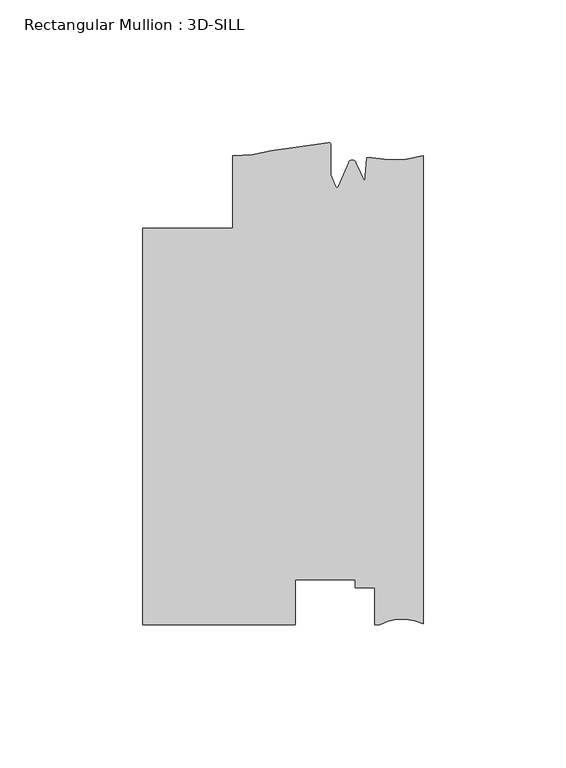
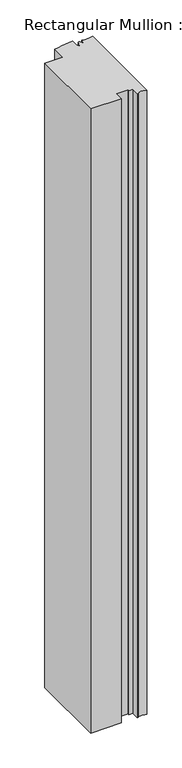
"""IFC4 building model written with IfcOpenShell, lengths in millimetres: member geometry, Rectangular Mullion : 3D-SILL."""

from ifc_helpers import new_model, si_unit, frame, origin, place, context, project, spatial, polyline, circle_curve, source, transform, mapped, element, save
from ifc_brep_helpers import plane_surface, cylinder_surface, revolved_surface, advanced_brep


def rectangular_mullion_3d_sill_04bc0f05(model_context):
    return source(origin(), model_context, "Body", "AdvancedBrep", [
        advanced_brep(
        [(-98.425, -27.8368125, 0.0), (-98.425, -167.0288125, 0.0), (-44.8099503, -167.0288125, 0.0), (-44.8099503, -151.130408, 0.0), (-23.8633011, -151.130408, 0.0), (-23.8633011, -153.9850133, 0.0), (-17.0053014, -153.9850133, 0.0), (-17.0053014, -167.0288125, 0.0), (-15.1680895, -167.0288125, 0.0), (0.0, -166.6478125, 0.0), (0.0, -2.4368125, 0.0), (-18.0334985, -3.1935504, 0.0), (-19.8211861, -3.0828843, 0.0), (-20.3867288, -11.4822036, 0.0), (-23.5593147, -4.7881561, 0.0), (-26.1362138, -4.7881561, 0.0), (-29.8075652, -13.2047236, 0.0), (-30.5559634, -13.2047236, 0.0), (-32.384137, -9.0136383, 0.0), (-32.384137, 1.4766469, 0.0), (-33.3130099, 2.2201504, 0.0), (-53.2924277, -0.6208493, 0.0), (-66.6751132, -2.4368125, 0.0), (-66.6751132, -27.8361661, 0.0), (-98.425, -27.8368125, -1155.7), (-66.6751132, -27.8361661, -1155.7), (-66.6751132, -2.4368125, -1155.7), (-53.2924277, -0.6208493, -1155.7), (-33.3138356, 2.2199646, -1155.7), (-32.384137, 1.4766469, -1155.7), (-32.384137, -9.0136383, -1155.7), (-30.5559634, -13.2047236, -1155.7), (-29.8075652, -13.2047236, -1155.7), (-26.1362138, -4.7881561, -1155.7), (-23.5593147, -4.7881561, -1155.7), (-20.3867288, -11.4822036, -1155.7), (-19.8211861, -3.0828843, -1155.7), (-18.0334985, -3.1935504, -1155.7), (0.0, -2.4368125, -1155.7), (0.0, -166.6478125, -1155.7), (-15.1680895, -167.0288125, -1155.7), (-17.0053014, -167.0288125, -1155.7), (-17.0053014, -153.9850133, -1155.7), (-23.8633011, -153.9850133, -1155.7), (-23.8633011, -151.130408, -1155.7), (-44.8099503, -151.130408, -1155.7), (-44.8099503, -167.0288125, -1155.7), (-98.425, -167.0288125, -1155.7)],
        [
            (0, 1),
            (1, 2),
            (2, 3),
            (3, 4),
            (4, 5),
            (5, 6),
            (6, 7),
            (7, 8),
            (8, 9, circle_curve(frame((-7.2326507, -180.8277516, 0.0), z_axis=(0.0, 0.0, -1.0), x_axis=(0.0, -1.0, 0.0)), 15.9179744)),
            (9, 10),
            (10, 11, circle_curve(frame((-10.6264113, 35.54399, 0.0), z_axis=(0.0, 0.0, -1.0), x_axis=(0.0, -1.0, 0.0)), 39.4393455)),
            (11, 12),
            (12, 13),
            (13, 14),
            (14, 15, circle_curve(frame((-24.8477643, -5.3280697, 0.0), z_axis=(0.0, 0.0, 1.0), x_axis=(-0.9222974554240703, 0.38648079346622805, 0.0)), 1.397)),
            (15, 16),
            (16, 17, circle_curve(frame((-30.1817643, -13.2763897, 0.0), z_axis=(0.0, 0.0, -1.0), x_axis=(-0.9821498950386456, 0.1880999300254456, 0.0)), 0.381)),
            (17, 18),
            (18, 19),
            (19, 20, circle_curve(frame((-33.146137, 1.4766469, 0.0), z_axis=(0.0, 0.0, 1.0), x_axis=(1.0, 0.0, 0.0)), 0.762)),
            (20, 21, circle_curve(frame((-61.125498, 126.1389145, 0.0), z_axis=(0.0, 0.0, -1.0), x_axis=(0.2189867881896227, -0.9757278240361876, 0.0)), 127.0015539)),
            (21, 22, circle_curve(frame((-65.8289407, 41.546973, 0.0), z_axis=(0.0, 0.0, -1.0), x_axis=(0.0, -1.0, 0.0)), 43.9919242)),
            (22, 23),
            (23, 0),
            (24, 25),
            (25, 26),
            (26, 27, circle_curve(frame((-65.8289407, 41.546973, -1155.7), z_axis=(0.0, 0.0, 1.0), x_axis=(0.0, -1.0, 0.0)), 43.9919242)),
            (27, 28, circle_curve(frame((-61.125498, 126.1389145, -1155.7), z_axis=(0.0, 0.0, 1.0), x_axis=(0.2189867881896227, -0.9757278240361876, 0.0)), 127.0015539)),
            (28, 29, circle_curve(frame((-33.146137, 1.4766469, -1155.7), z_axis=(0.0, 0.0, -1.0), x_axis=(1.0, 0.0, 0.0)), 0.762)),
            (29, 30),
            (30, 31),
            (31, 32, circle_curve(frame((-30.1817643, -13.2763897, -1155.7), z_axis=(0.0, 0.0, 1.0), x_axis=(-0.9821498950386456, 0.1880999300254456, 0.0)), 0.381)),
            (32, 33),
            (33, 34, circle_curve(frame((-24.8477643, -5.3280697, -1155.7), z_axis=(0.0, 0.0, -1.0), x_axis=(-0.9222974554240703, 0.38648079346622805, 0.0)), 1.397)),
            (34, 35),
            (35, 36),
            (36, 37),
            (37, 38, circle_curve(frame((-10.6264113, 35.54399, -1155.7), z_axis=(0.0, 0.0, 1.0), x_axis=(0.0, -1.0, 0.0)), 39.4393455)),
            (38, 39),
            (39, 40, circle_curve(frame((-7.2326507, -180.8277516, -1155.7), z_axis=(0.0, 0.0, 1.0), x_axis=(0.0, -1.0, 0.0)), 15.9179744)),
            (40, 41),
            (41, 42),
            (42, 43),
            (43, 44),
            (44, 45),
            (45, 46),
            (46, 47),
            (47, 24),
            (0, 24),
            (47, 1),
            (46, 2),
            (45, 3),
            (44, 4),
            (43, 5),
            (42, 6),
            (41, 7),
            (40, 8),
            (39, 9),
            (38, 10),
            (37, 11),
            (36, 12),
            (35, 13),
            (34, 14),
            (33, 15),
            (32, 16),
            (31, 17),
            (30, 18),
            (29, 19),
            (28, 20),
            (27, 21),
            (26, 22),
            (25, 23),
        ],
        [
            plane_surface(frame((0.0, -193.8713616, 0.0), z_axis=(0.0, 0.0, 1.0), x_axis=(-1.0, 0.0, 0.0))),
            plane_surface(frame((0.0, -193.8713616, -1155.7), z_axis=(0.0, 0.0, -1.0), x_axis=(-1.0, 0.0, 0.0))),
            plane_surface(frame((-98.425, -27.8368125, 0.0), z_axis=(-1.0, 0.0, 0.0), x_axis=(0.0, 0.0, -1.0))),
            plane_surface(frame((-98.425, -167.0288125, 0.0), z_axis=(0.0, -1.0, 0.0), x_axis=(0.0, 0.0, -1.0))),
            plane_surface(frame((-44.8099503, -167.0288125, 0.0), z_axis=(1.0, 0.0, 0.0), x_axis=(0.0, 0.0, -1.0))),
            plane_surface(frame((-44.8099503, -151.130408, 0.0), z_axis=(0.0, -1.0, 0.0), x_axis=(0.0, 0.0, -1.0))),
            plane_surface(frame((-23.8633011, -151.130408, 0.0), z_axis=(-1.0, 0.0, 0.0), x_axis=(0.0, 0.0, -1.0))),
            plane_surface(frame((-23.8633011, -153.9850133, 0.0), z_axis=(0.0, -1.0, 0.0), x_axis=(0.0, 0.0, -1.0))),
            plane_surface(frame((-17.0053014, -153.9850133, 0.0), z_axis=(-1.0, 0.0, 0.0), x_axis=(0.0, 0.0, -1.0))),
            plane_surface(frame((-17.0053014, -167.0288125, 0.0), z_axis=(0.0, -1.0, 0.0), x_axis=(0.0, 0.0, -1.0))),
            revolved_surface(polyline([(-7.2326507, -196.745726, -1155.7), (-7.2326507, -196.745726, 0.0)]), (-7.2326507, -180.8277516, 0.0), (0.0, 0.0, -1.0)),
            plane_surface(frame((0.0, -166.6478125, 0.0), z_axis=(1.0, 0.0, 0.0), x_axis=(0.0, 0.0, -1.0))),
            revolved_surface(polyline([(-10.6264113, -3.895355500000001, -1155.7), (-10.6264113, -3.895355500000001, 0.0)]), (-10.6264113, 35.54399, 0.0), (0.0, 0.0, -1.0)),
            plane_surface(frame((-18.0334985, -3.1935504, 0.0), z_axis=(0.0617863276188998, 0.9980893996628609, 0.0), x_axis=(0.0, 0.0, -1.0))),
            plane_surface(frame((-19.8211861, -3.0828843, 0.0), z_axis=(-0.997740881645106, 0.06717985631159565, 0.0), x_axis=(0.0, 0.0, -1.0))),
            plane_surface(frame((-20.3867288, -11.4822036, 0.0), z_axis=(0.9036479198265283, 0.4282761223710569, 0.0), x_axis=(0.0, 0.0, -1.0))),
            cylinder_surface(frame((-24.8477643, -5.3280697, 0.0), z_axis=(0.0, 0.0, 1.0), x_axis=(-0.9222974554240703, 0.38648079346622805, 0.0)), 1.397),
            plane_surface(frame((-26.1362138, -4.7881561, 0.0), z_axis=(-0.9165925711538568, 0.3998225337641213, 0.0), x_axis=(0.0, 0.0, -1.0))),
            revolved_surface(polyline([(-30.555963410009724, -13.204723626660304, -1155.7), (-30.555963410009724, -13.204723626660304, 0.0)]), (-30.1817643, -13.2763897, 0.0), (0.0, 0.0, -1.0)),
            plane_surface(frame((-30.5559634, -13.2047236, 0.0), z_axis=(0.9165925711538717, 0.39982253376408716, 0.0), x_axis=(0.0, 0.0, -1.0))),
            plane_surface(frame((-32.384137, -9.0136383, 0.0), z_axis=(1.0, 0.0, 0.0), x_axis=(0.0, 0.0, -1.0))),
            cylinder_surface(frame((-33.146137, 1.4766469, 0.0), z_axis=(0.0, 0.0, 1.0), x_axis=(1.0, 0.0, 0.0)), 0.762),
            revolved_surface(polyline([(-33.313835616347745, 2.2199646639383985, -1155.7000000000005), (-33.313835616347745, 2.2199646639383985, 0.0)]), (-61.125498, 126.1389145, 0.0), (0.0, 0.0, -1.0000000000000002)),
            revolved_surface(polyline([(-65.8289407, -2.4449511999999984, -1155.7), (-65.8289407, -2.4449511999999984, 0.0)]), (-65.8289407, 41.546973, 0.0), (0.0, 0.0, -1.0)),
            plane_surface(frame((-66.6751132, -2.4368125, 0.0), z_axis=(-1.0, 0.0, 0.0), x_axis=(0.0, 0.0, -1.0))),
            plane_surface(frame((-66.6751132, -27.8361661, 0.0), z_axis=(-2.0360673595886705e-05, 0.9999999997927215, 0.0), x_axis=(0.0, 0.0, -1.0))),
        ],
        [
            (0, [[1, 2, 3, 4, 5, 6, 7, 8, 9, 10, 11, 12, 13, 14, 15, 16, 17, 18, 19, 20, 21, 22, 23, 24]]),
            (1, [[25, 26, 27, 28, 29, 30, 31, 32, 33, 34, 35, 36, 37, 38, 39, 40, 41, 42, 43, 44, 45, 46, 47, 48]]),
            (2, [[-1, 49, -48, 50]]),
            (3, [[-2, -50, -47, 51]]),
            (4, [[-3, -51, -46, 52]]),
            (5, [[-4, -52, -45, 53]]),
            (6, [[-5, -53, -44, 54]]),
            (7, [[-6, -54, -43, 55]]),
            (8, [[-7, -55, -42, 56]]),
            (9, [[-8, -56, -41, 57]]),
            (10, [[-9, -57, -40, 58]]),
            (11, [[-10, -58, -39, 59]]),
            (12, [[-11, -59, -38, 60]]),
            (13, [[-12, -60, -37, 61]]),
            (14, [[-13, -61, -36, 62]]),
            (15, [[-14, -62, -35, 63]]),
            (16, [[-15, -63, -34, 64]]),
            (17, [[-16, -64, -33, 65]]),
            (18, [[-17, -65, -32, 66]]),
            (19, [[-18, -66, -31, 67]]),
            (20, [[-19, -67, -30, 68]]),
            (21, [[-20, -68, -29, 69]]),
            (22, [[-21, -69, -28, 70]]),
            (23, [[-22, -70, -27, 71]]),
            (24, [[-23, -71, -26, 72]]),
            (25, [[-24, -72, -25, -49]]),
        ],
    ),
    ])


if __name__ == "__main__":
    model = new_model("IFC4")
    model_context = context("Model", 3, world=origin())
    ifc_project = project(units=[si_unit("LENGTHUNIT", "METRE", prefix="MILLI")], contexts=[model_context])
    site = spatial("IfcSite", under=ifc_project)
    building = spatial("IfcBuilding", under=site)
    placement = place(None, origin())
    rectangular_mullion_3d_sill_shape = rectangular_mullion_3d_sill_04bc0f05(model_context)
    element("IfcMember", 1, ObjectType="Rectangular Mullion : 3D-SILL", at=placement, inside=building, context=model_context, shape_type="MappedRepresentation", body=[
        mapped(rectangular_mullion_3d_sill_shape, transform((0.0, 0.0, 0.0), x_axis=(1.0, 0.0, 0.0), y_axis=(0.0, 1.0, 0.0), z_axis=(0.0, 0.0, 1.0))),
    ])
    save(model, "model.ifc")
